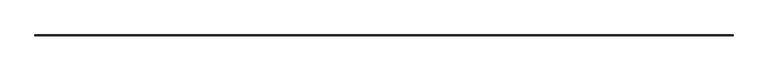
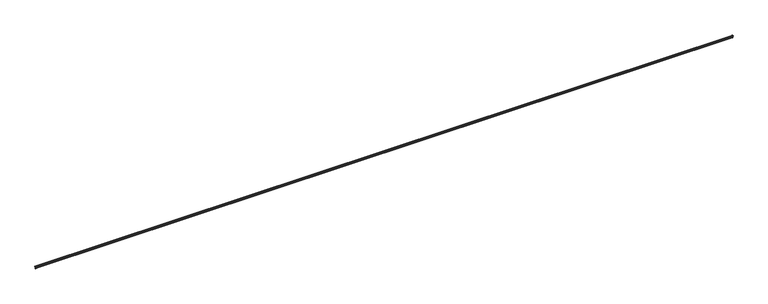
"""IFC4 building model written with IfcOpenShell, lengths in millimetres: railing geometry."""

from ifc_helpers import new_model, si_unit, frame, origin, place, context, project, spatial, polyline, circle_curve, ellipse_curve, source, transform, mapped, element, save
from ifc_brep_helpers import plane_surface, cylinder_surface, revolved_surface, advanced_brep


def railing_5dfc546a(model_context):
    return source(origin(), model_context, "Body", "AdvancedBrep", [
        advanced_brep(
        [(-23680.9561098, 78083.1541206, 647.6923086), (-23692.4260699, 78071.6841604, 647.6923086), (-41982.6411862, 78071.6841604, 647.6923086), (-41994.1111464, 78083.1541206, 647.6923086), (-23692.4260699, 78071.6841604, 648.6844961), (-41982.6411862, 78071.6841604, 648.6844961), (-23693.5336281, 78070.5766023, 710.2155039), (-23693.5336281, 78070.5766023, 711.2076914), (-41981.5336281, 78070.5766023, 711.2076914), (-41981.5336281, 78070.5766023, 710.2155039), (-23679.4389571, 78069.7828523, 691.7950567), (-23683.1977384, 78069.7828523, 687.9994833), (-23683.3479468, 78069.7828523, 686.0287021), (-23684.5520802, 78069.7828523, 671.4729922), (-23680.5867215, 78069.7828523, 653.762918), (-23680.0600643, 78069.7828523, 648.9724141), (-23680.9561098, 78069.7828523, 648.6844961), (-23692.4260699, 78069.7828523, 648.6844961), (-23692.4260699, 78069.7828523, 647.6923086), (-23680.9561098, 78069.7828523, 647.6923086), (-23679.482115, 78069.7828523, 648.1659337), (-23680.1977836, 78069.7828523, 654.6756957), (-23683.8318224, 78069.7828523, 670.7898083), (-23682.8179698, 78069.7828523, 686.9729202), (-23678.733966, 78069.7828523, 691.0968994), (-23681.4226013, 78069.7828523, 710.8731871), (-23682.6799827, 78069.7828523, 711.2076914), (-23693.5336281, 78069.7828523, 711.2076914), (-23693.5336281, 78069.7828523, 710.2155039), (-23682.6799827, 78069.7828523, 710.2155039), (-23681.9156171, 78069.7828523, 710.0121578), (-41995.628299, 78069.7828523, 691.7950567), (-41993.1516391, 78069.7828523, 710.0121578), (-41992.3872735, 78069.7828523, 710.2155039), (-41981.5336281, 78069.7828523, 710.2155039), (-41981.5336281, 78069.7828523, 711.2076914), (-41992.3872735, 78069.7828523, 711.2076914), (-41993.6446549, 78069.7828523, 710.8731871), (-41996.3332901, 78069.7828523, 691.0968994), (-41992.2492864, 78069.7828523, 686.9729202), (-41991.2354338, 78069.7828523, 670.7898083), (-41994.8694726, 78069.7828523, 654.6756957), (-41995.5851411, 78069.7828523, 648.1659337), (-41994.1111464, 78069.7828523, 647.6923086), (-41982.6411862, 78069.7828523, 647.6923086), (-41982.6411862, 78069.7828523, 648.6844961), (-41994.1111464, 78069.7828523, 648.6844961), (-41995.0071918, 78069.7828523, 648.9724141), (-41994.4805347, 78069.7828523, 653.762918), (-41990.515176, 78069.7828523, 671.4729922), (-41991.7193093, 78069.7828523, 686.0287021), (-41991.8695178, 78069.7828523, 687.9994833), (-23683.1977384, 78080.912492, 687.9994833), (-23679.4389571, 78084.6712733, 691.7950567), (-41995.628299, 78084.6712733, 691.7950567), (-41991.8695178, 78080.912492, 687.9994833), (-23683.3479468, 78080.7622836, 686.0287021), (-41991.7193093, 78080.7622836, 686.0287021), (-23684.5520802, 78079.5581502, 671.4729922), (-41990.515176, 78079.5581502, 671.4729922), (-23680.5867215, 78083.5235089, 653.762918), (-41994.4805347, 78083.5235089, 653.762918), (-23680.0600643, 78084.0501661, 648.9724141), (-41995.0071918, 78084.0501661, 648.9724141), (-23680.9561098, 78083.1541206, 648.6844961), (-41994.1111464, 78083.1541206, 648.6844961), (-23682.6799827, 78081.4302477, 710.2155039), (-41992.3872735, 78081.4302477, 710.2155039), (-23681.9156171, 78082.1946133, 710.0121578), (-41993.1516391, 78082.1946133, 710.0121578), (-23682.6799827, 78081.4302477, 711.2076914), (-41992.3872735, 78081.4302477, 711.2076914), (-23681.4226013, 78082.6876291, 710.8731871), (-41993.6446549, 78082.6876291, 710.8731871), (-23678.733966, 78085.3762643, 691.0968994), (-41996.3332901, 78085.3762643, 691.0968994), (-23682.8179698, 78081.2922606, 686.9729202), (-41992.2492864, 78081.2922606, 686.9729202), (-23683.8318224, 78080.278408, 670.7898083), (-41991.2354338, 78080.278408, 670.7898083), (-23680.1977836, 78083.9124468, 654.6756957), (-41994.8694726, 78083.9124468, 654.6756957), (-23679.482115, 78084.6281154, 648.1659337), (-41995.5851411, 78084.6281154, 648.1659337)],
        [
            (0, 1),
            (1, 2),
            (2, 3),
            (3, 0),
            (1, 4),
            (4, 5),
            (5, 2),
            (6, 7),
            (7, 8),
            (8, 9),
            (9, 6),
            (10, 11),
            (11, 12, circle_curve(frame((-23682.113473, 78069.7828523, 686.9257282), z_axis=(0.0, -1.0, 0.0), x_axis=(-0.7105421899071482, 0.0, 0.703654600185314)), 1.525969)),
            (12, 13, circle_curve(frame((-23692.4014575, 78069.7828523, 679.45), z_axis=(0.0, 1.0, 0.0), x_axis=(0.8089769833915064, 0.0, 0.5878403187454724)), 11.1913081)),
            (13, 14, circle_curve(frame((-23676.2064963, 78069.7828523, 664.0426357), z_axis=(0.0, -1.0, 0.0), x_axis=(-0.7468731624190426, 0.0, 0.6649665249154866)), 11.174031)),
            (14, 15, circle_curve(frame((-23681.6704498, 78069.7828523, 651.2195736), z_axis=(0.0, 1.0, 0.0), x_axis=(0.3920004517822364, 0.0, 0.9199650242278359)), 2.7646098)),
            (15, 16, circle_curve(frame((-23680.9561098, 78069.7828523, 650.2227713), z_axis=(0.0, 1.0, 0.0), x_axis=(0.5825000930532481, 0.0, -0.8128306352451028)), 1.5382752)),
            (16, 17),
            (17, 18),
            (18, 19),
            (19, 20, circle_curve(frame((-23680.9561098, 78069.7828523, 650.2227713), z_axis=(0.0, -1.0, 0.0), x_axis=(0.5825000930532481, 0.0, -0.8128306352451028)), 2.5304627)),
            (20, 21, circle_curve(frame((-23681.6704498, 78069.7828523, 651.2195736), z_axis=(0.0, -1.0, 0.0), x_axis=(0.3920004517822364, 0.0, 0.9199650242278359)), 3.7567973)),
            (21, 22, circle_curve(frame((-23676.2064963, 78069.7828523, 664.0426357), z_axis=(0.0, 1.0, 0.0), x_axis=(-0.7468731624190426, 0.0, 0.6649665249154866)), 10.1818435)),
            (22, 23, circle_curve(frame((-23692.4014575, 78069.7828523, 679.45), z_axis=(0.0, -1.0, 0.0), x_axis=(0.8089769833915064, 0.0, 0.5878403187454724)), 12.1834956)),
            (23, 24),
            (24, 25, circle_curve(frame((-23687.6758761, 78069.7828523, 699.9521318), z_axis=(0.0, -1.0, 0.0), x_axis=(0.4968978161283641, 0.0, 0.8678090575275547)), 12.5846294)),
            (25, 26, circle_curve(frame((-23682.6799827, 78069.7828523, 708.6772287), z_axis=(0.0, -1.0, 0.0), x_axis=(0.0, 0.0, 1.0)), 2.5304627)),
            (26, 27),
            (27, 28),
            (28, 29),
            (29, 30, circle_curve(frame((-23682.6799827, 78069.7828523, 708.6772287), z_axis=(0.0, 1.0, 0.0), x_axis=(0.0, 0.0, 1.0)), 1.5382752)),
            (30, 10, circle_curve(frame((-23687.6758761, 78069.7828523, 699.9521318), z_axis=(0.0, 1.0, 0.0), x_axis=(0.4968978161283641, 0.0, 0.8678090575275547)), 11.5924419)),
            (31, 32, circle_curve(frame((-41987.39138, 78069.7828523, 699.9521318), z_axis=(0.0, 1.0, 0.0), x_axis=(-0.4968978161283641, 0.0, 0.8678090575275547)), 11.5924419)),
            (32, 33, circle_curve(frame((-41992.3872735, 78069.7828523, 708.6772287), z_axis=(0.0, 1.0, 0.0), x_axis=(0.0, 0.0, 1.0)), 1.5382752)),
            (33, 34),
            (34, 35),
            (35, 36),
            (36, 37, circle_curve(frame((-41992.3872735, 78069.7828523, 708.6772287), z_axis=(0.0, -1.0, 0.0), x_axis=(0.0, 0.0, 1.0)), 2.5304627)),
            (37, 38, circle_curve(frame((-41987.39138, 78069.7828523, 699.9521318), z_axis=(0.0, -1.0, 0.0), x_axis=(-0.4968978161283641, 0.0, 0.8678090575275547)), 12.5846294)),
            (38, 39),
            (39, 40, circle_curve(frame((-41982.6657986, 78069.7828523, 679.45), z_axis=(0.0, -1.0, 0.0), x_axis=(-0.8089769833915064, 0.0, 0.5878403187454724)), 12.1834956)),
            (40, 41, circle_curve(frame((-41998.8607599, 78069.7828523, 664.0426357), z_axis=(0.0, 1.0, 0.0), x_axis=(0.7468731624190426, 0.0, 0.6649665249154866)), 10.1818435)),
            (41, 42, circle_curve(frame((-41993.3968064, 78069.7828523, 651.2195736), z_axis=(0.0, -1.0, 0.0), x_axis=(-0.3920004517822364, 0.0, 0.9199650242278359)), 3.7567973)),
            (42, 43, circle_curve(frame((-41994.1111464, 78069.7828523, 650.2227713), z_axis=(0.0, -1.0, 0.0), x_axis=(-0.5825000930532481, 0.0, -0.8128306352451028)), 2.5304627)),
            (43, 44),
            (44, 45),
            (45, 46),
            (46, 47, circle_curve(frame((-41994.1111464, 78069.7828523, 650.2227713), z_axis=(0.0, 1.0, 0.0), x_axis=(-0.5825000930532481, 0.0, -0.8128306352451028)), 1.5382752)),
            (47, 48, circle_curve(frame((-41993.3968064, 78069.7828523, 651.2195736), z_axis=(0.0, 1.0, 0.0), x_axis=(-0.3920004517822364, 0.0, 0.9199650242278359)), 2.7646098)),
            (48, 49, circle_curve(frame((-41998.8607599, 78069.7828523, 664.0426357), z_axis=(0.0, -1.0, 0.0), x_axis=(0.7468731624190426, 0.0, 0.6649665249154866)), 11.174031)),
            (49, 50, circle_curve(frame((-41982.6657986, 78069.7828523, 679.45), z_axis=(0.0, 1.0, 0.0), x_axis=(-0.8089769833915064, 0.0, 0.5878403187454724)), 11.1913081)),
            (50, 51, circle_curve(frame((-41992.9537831, 78069.7828523, 686.9257282), z_axis=(0.0, -1.0, 0.0), x_axis=(0.7105421899071482, 0.0, 0.703654600185314)), 1.525969)),
            (51, 31),
            (52, 53),
            (53, 54),
            (54, 55),
            (55, 52),
            (56, 52, ellipse_curve(frame((-23682.113473, 78081.9967573, 686.9257282), z_axis=(-0.7071067811865461, 0.7071067811865488, 0.0), x_axis=(0.7071067811865489, 0.707106781186546, 0.0)), 2.158046, 1.525969)),
            (55, 57, ellipse_curve(frame((-41992.9537831, 78081.9967573, 686.9257282), z_axis=(0.7071067811865488, 0.7071067811865461, 0.0), x_axis=(0.7071067811865462, -0.7071067811865487, 0.0)), 2.158046, 1.525969)),
            (57, 56),
            (58, 56, ellipse_curve(frame((-23692.4014575, 78071.7087728, 679.45), z_axis=(0.7071067811865461, -0.7071067811865488, 0.0), x_axis=(-0.7071067811865489, -0.707106781186546, 0.0)), 15.8268998, 11.1913081)),
            (57, 59, ellipse_curve(frame((-41982.6657986, 78071.7087728, 679.45), z_axis=(-0.7071067811865488, -0.7071067811865461, 0.0), x_axis=(-0.7071067811865462, 0.7071067811865487, 0.0)), 15.8268998, 11.1913081)),
            (59, 58),
            (60, 58, ellipse_curve(frame((-23676.2064963, 78087.9037341, 664.0426357), z_axis=(-0.7071067811865461, 0.7071067811865488, 0.0), x_axis=(0.7071067811865489, 0.707106781186546, 0.0)), 15.8024662, 11.174031)),
            (59, 61, ellipse_curve(frame((-41998.8607599, 78087.9037341, 664.0426357), z_axis=(0.7071067811865488, 0.7071067811865461, 0.0), x_axis=(0.7071067811865462, -0.7071067811865487, 0.0)), 15.8024662, 11.174031)),
            (61, 60),
            (62, 60, ellipse_curve(frame((-23681.6704498, 78082.4397806, 651.2195736), z_axis=(0.7071067811865461, -0.7071067811865488, 0.0), x_axis=(-0.7071067811865489, -0.707106781186546, 0.0)), 3.9097487, 2.7646098)),
            (61, 63, ellipse_curve(frame((-41993.3968064, 78082.4397806, 651.2195736), z_axis=(-0.7071067811865488, -0.7071067811865461, 0.0), x_axis=(-0.7071067811865462, 0.7071067811865487, 0.0)), 3.9097487, 2.7646098)),
            (63, 62),
            (64, 62, ellipse_curve(frame((-23680.9561098, 78083.1541206, 650.2227713), z_axis=(0.7071067811865461, -0.7071067811865488, 0.0), x_axis=(-0.7071067811865489, -0.707106781186546, 0.0)), 2.1754496, 1.5382752)),
            (63, 65, ellipse_curve(frame((-41994.1111464, 78083.1541206, 650.2227713), z_axis=(-0.7071067811865488, -0.7071067811865461, 0.0), x_axis=(-0.7071067811865462, 0.7071067811865487, 0.0)), 2.1754496, 1.5382752)),
            (65, 64),
            (4, 64),
            (65, 5),
            (66, 6),
            (9, 67),
            (67, 66),
            (68, 66, ellipse_curve(frame((-23682.6799827, 78081.4302477, 708.6772287), z_axis=(0.7071067811865461, -0.7071067811865488, 0.0), x_axis=(-0.7071067811865489, -0.707106781186546, 0.0)), 2.1754496, 1.5382752)),
            (67, 69, ellipse_curve(frame((-41992.3872735, 78081.4302477, 708.6772287), z_axis=(-0.7071067811865488, -0.7071067811865461, 0.0), x_axis=(-0.7071067811865462, 0.7071067811865487, 0.0)), 2.1754496, 1.5382752)),
            (69, 68),
            (7, 70),
            (70, 71),
            (71, 8),
            (70, 72, ellipse_curve(frame((-23682.6799827, 78081.4302477, 708.6772287), z_axis=(-0.7071067811865461, 0.7071067811865488, 0.0), x_axis=(0.7071067811865489, 0.707106781186546, 0.0)), 3.5786147, 2.5304627)),
            (72, 73),
            (73, 71, ellipse_curve(frame((-41992.3872735, 78081.4302477, 708.6772287), z_axis=(0.7071067811865488, 0.7071067811865461, 0.0), x_axis=(0.7071067811865462, -0.7071067811865487, 0.0)), 3.5786147, 2.5304627)),
            (72, 74, ellipse_curve(frame((-23687.6758761, 78076.4343542, 699.9521318), z_axis=(-0.7071067811865461, 0.7071067811865488, 0.0), x_axis=(0.7071067811865489, 0.707106781186546, 0.0)), 17.7973535, 12.5846294)),
            (74, 75),
            (75, 73, ellipse_curve(frame((-41987.39138, 78076.4343542, 699.9521318), z_axis=(0.7071067811865488, 0.7071067811865461, 0.0), x_axis=(0.7071067811865462, -0.7071067811865487, 0.0)), 17.7973535, 12.5846294)),
            (74, 76),
            (76, 77),
            (77, 75),
            (76, 78, ellipse_curve(frame((-23692.4014575, 78071.7087728, 679.45), z_axis=(-0.7071067811865461, 0.7071067811865488, 0.0), x_axis=(0.7071067811865489, 0.707106781186546, 0.0)), 17.2300648, 12.1834956)),
            (78, 79),
            (79, 77, ellipse_curve(frame((-41982.6657986, 78071.7087728, 679.45), z_axis=(0.7071067811865488, 0.7071067811865461, 0.0), x_axis=(0.7071067811865462, -0.7071067811865487, 0.0)), 17.2300648, 12.1834956)),
            (78, 80, ellipse_curve(frame((-23676.2064963, 78087.9037341, 664.0426357), z_axis=(0.7071067811865461, -0.7071067811865488, 0.0), x_axis=(-0.7071067811865489, -0.707106781186546, 0.0)), 14.3993012, 10.1818435)),
            (80, 81),
            (81, 79, ellipse_curve(frame((-41998.8607599, 78087.9037341, 664.0426357), z_axis=(-0.7071067811865488, -0.7071067811865461, 0.0), x_axis=(-0.7071067811865462, 0.7071067811865487, 0.0)), 14.3993012, 10.1818435)),
            (80, 82, ellipse_curve(frame((-23681.6704498, 78082.4397806, 651.2195736), z_axis=(-0.7071067811865461, 0.7071067811865488, 0.0), x_axis=(0.7071067811865489, 0.707106781186546, 0.0)), 5.3129137, 3.7567973)),
            (82, 83),
            (83, 81, ellipse_curve(frame((-41993.3968064, 78082.4397806, 651.2195736), z_axis=(0.7071067811865488, 0.7071067811865461, 0.0), x_axis=(0.7071067811865462, -0.7071067811865487, 0.0)), 5.3129137, 3.7567973)),
            (82, 0, ellipse_curve(frame((-23680.9561098, 78083.1541206, 650.2227713), z_axis=(-0.7071067811865461, 0.7071067811865488, 0.0), x_axis=(0.7071067811865489, 0.707106781186546, 0.0)), 3.5786147, 2.5304627)),
            (3, 83, ellipse_curve(frame((-41994.1111464, 78083.1541206, 650.2227713), z_axis=(0.7071067811865488, 0.7071067811865461, 0.0), x_axis=(0.7071067811865462, -0.7071067811865487, 0.0)), 3.5786147, 2.5304627)),
            (53, 68, ellipse_curve(frame((-23687.6758761, 78076.4343542, 699.9521318), z_axis=(0.7071067811865461, -0.7071067811865488, 0.0), x_axis=(-0.7071067811865489, -0.707106781186546, 0.0)), 16.3941885, 11.5924419)),
            (69, 54, ellipse_curve(frame((-41987.39138, 78076.4343542, 699.9521318), z_axis=(-0.7071067811865488, -0.7071067811865461, 0.0), x_axis=(-0.7071067811865462, 0.7071067811865487, 0.0)), 16.3941885, 11.5924419)),
            (30, 68),
            (53, 10),
            (16, 64),
            (4, 17),
            (15, 62),
            (14, 60),
            (13, 58),
            (12, 56),
            (11, 52),
            (69, 32),
            (31, 54),
            (65, 46),
            (45, 5),
            (63, 47),
            (61, 48),
            (59, 49),
            (57, 50),
            (55, 51),
            (23, 76),
            (74, 24),
            (72, 25),
            (70, 26),
            (7, 27),
            (29, 66),
            (28, 6),
            (22, 78),
            (77, 39),
            (38, 75),
            (37, 73),
            (36, 71),
            (35, 8),
            (67, 33),
            (9, 34),
            (79, 40),
            (1, 18),
            (0, 19),
            (82, 20),
            (80, 21),
            (44, 2),
            (43, 3),
            (42, 83),
            (41, 81),
        ],
        [
            plane_surface(frame((-23692.4260699, 78071.6841604, 647.6923086), z_axis=(0.0, 0.0, -1.0), x_axis=(-1.0, 0.0, 0.0))),
            plane_surface(frame((-23692.4260699, 78071.6841604, 648.6844961), z_axis=(0.0, -1.0, 0.0), x_axis=(-1.0, 0.0, 0.0))),
            plane_surface(frame((-23693.5336281, 78070.5766023, 711.2076914), z_axis=(0.0, -1.0, 0.0), x_axis=(-1.0, 0.0, 0.0))),
            plane_surface(frame((-23693.5336281, 78069.7828523, 711.2), z_axis=(0.0, -1.0, 0.0), x_axis=(0.0, 0.0, 1.0))),
            plane_surface(frame((-41981.5336281, 78069.7828523, 711.2), z_axis=(0.0, -1.0, 0.0), x_axis=(0.0, 0.0, -1.0))),
            plane_surface(frame((-23679.4389571, 78084.6712733, 691.7950567), z_axis=(0.0, -0.7105421899070093, 0.7036546001854542), x_axis=(-1.0, 0.0, 0.0))),
            cylinder_surface(frame((-23693.5336281, 78081.9967573, 686.9257282), z_axis=(1.0, 0.0, 0.0), x_axis=(0.0, -0.7105421899071482, 0.703654600185314)), 1.525969),
            revolved_surface(polyline([(-41993.857106773736, 78080.76228346695, 686.0287021206829), (-23681.21014932626, 78080.76228346695, 686.0287021206829)]), (-23693.5336281, 78071.7087728, 679.45), (-1.0, 0.0, 0.0)),
            cylinder_surface(frame((-23693.5336281, 78087.9037341, 664.0426357), z_axis=(1.0, 0.0, 0.0), x_axis=(0.0, -0.7468731624190426, 0.6649665249154866)), 11.174031),
            revolved_surface(polyline([(-41996.16141621851, 78083.5235088906, 653.7629179216375), (-23678.905839981493, 78083.5235088906, 653.7629179216375)]), (-23693.5336281, 78082.4397806, 651.2195736), (-1.0, 0.0, 0.0)),
            revolved_surface(polyline([(-41995.64942156429, 78084.05016604713, 648.9724140920022), (-23679.41783463571, 78084.05016604713, 648.9724140920022)]), (-23693.5336281, 78083.1541206, 650.2227713), (-1.0, 0.0, 0.0)),
            plane_surface(frame((-23680.9561098, 78083.1541206, 648.6844961), z_axis=(0.0, 0.0, 1.0), x_axis=(-1.0, 0.0, 0.0))),
            plane_surface(frame((-23693.5336281, 78070.5766023, 710.2155039), z_axis=(0.0, 0.0, -1.0), x_axis=(-1.0, 0.0, 0.0))),
            revolved_surface(polyline([(-41993.92554866429, 78081.4302477, 710.2155039), (-23681.14170753571, 78081.4302477, 710.2155039)]), (-23693.5336281, 78081.4302477, 708.6772287), (-1.0, 0.0, 0.0)),
            plane_surface(frame((-23682.6799827, 78081.4302477, 711.2076914), z_axis=(0.0, 0.0, 1.0), x_axis=(-1.0, 0.0, 0.0))),
            cylinder_surface(frame((-23693.5336281, 78081.4302477, 708.6772287), z_axis=(1.0, 0.0, 0.0), x_axis=(0.0, 0.0, 1.0)), 2.5304627),
            cylinder_surface(frame((-23693.5336281, 78076.4343542, 699.9521318), z_axis=(1.0000000000000002, 0.0, 0.0), x_axis=(0.0, 0.4968978161283641, 0.8678090575275547)), 12.5846294),
            plane_surface(frame((-23682.8179698, 78081.2922606, 686.9729202), z_axis=(0.0, 0.7105421899070093, -0.7036546001854542), x_axis=(-1.0, 0.0, 0.0))),
            cylinder_surface(frame((-23693.5336281, 78071.7087728, 679.45), z_axis=(1.0, 0.0, 0.0), x_axis=(0.0, 0.8089769833915064, 0.5878403187454724)), 12.1834956),
            revolved_surface(polyline([(-42009.04260342287, 78080.29918844589, 670.8132207894283), (-23666.024652777134, 78080.29918844589, 670.8132207894283)]), (-23693.5336281, 78087.9037341, 664.0426357), (-1.0, 0.0, 0.0)),
            cylinder_surface(frame((-23693.5336281, 78082.4397806, 651.2195736), z_axis=(1.0, 0.0, 0.0), x_axis=(0.0, 0.3920004517822364, 0.9199650242278359)), 3.7567973),
            cylinder_surface(frame((-23693.5336281, 78083.1541206, 650.2227713), z_axis=(1.0, 0.0, 0.0), x_axis=(0.0, 0.5825000930532481, -0.8128306352451028)), 2.5304627),
            revolved_surface(polyline([(-41998.98382186041, 78082.19461326371, 710.0121578796819), (-23676.083434239597, 78082.19461326371, 710.0121578796819)]), (-23693.5336281, 78076.4343542, 699.9521318), (-1.0000000000000002, 0.0, 0.0)),
            revolved_surface(polyline([(-23681.915617036295, 78088.0267960604, 710.0121578796819), (-23681.915617036295, 78064.8419123396, 710.0121578796819)]), (-23687.6758761, 78069.7828523, 699.9521318), (0.0, 1.0000000000000002, 0.0)),
            plane_surface(frame((-23680.9561098, 78069.7828523, 648.6844961), z_axis=(0.0, 0.0, 1.0), x_axis=(0.0, 1.0, 0.0))),
            revolved_surface(polyline([(-23680.06006435286, 78084.69239576429, 648.9724140920022), (-23680.06006435286, 78069.7828523, 648.9724140920022)]), (-23680.9561098, 78069.7828523, 650.2227713), (0.0, 1.0, 0.0)),
            revolved_surface(polyline([(-23680.586721509397, 78085.20439041851, 653.7629179216375), (-23680.586721509397, 78069.7828523, 653.7629179216375)]), (-23681.6704498, 78069.7828523, 651.2195736), (0.0, 1.0, 0.0)),
            cylinder_surface(frame((-23676.2064963, 78069.7828523, 664.0426357), z_axis=(0.0, -1.0, 0.0), x_axis=(-0.7468731624190426, 0.0, 0.6649665249154866)), 11.174031),
            revolved_surface(polyline([(-23683.34794683306, 78082.90008097375, 686.0287021206829), (-23683.34794683306, 78060.51746462626, 686.0287021206829)]), (-23692.4014575, 78069.7828523, 679.45), (0.0, 1.0, 0.0)),
            cylinder_surface(frame((-23682.113473, 78069.7828523, 686.9257282), z_axis=(0.0, -1.0, 0.0), x_axis=(-0.7105421899071482, 0.0, 0.703654600185314)), 1.525969),
            plane_surface(frame((-23679.4389571, 78069.7828523, 691.7950567), z_axis=(-0.7105421899070093, 0.0, 0.7036546001854542), x_axis=(0.0, 1.0, 0.0))),
            revolved_surface(polyline([(-41993.151639063704, 78064.8419123396, 710.0121578796819), (-41993.151639063704, 78088.0267960604, 710.0121578796819)]), (-41987.39138, 78070.5766023, 699.9521318), (0.0, -1.0000000000000002, 0.0)),
            plane_surface(frame((-41994.1111464, 78083.1541206, 648.6844961), z_axis=(0.0, 0.0, 1.0), x_axis=(0.0, -1.0, 0.0))),
            revolved_surface(polyline([(-41995.00719184714, 78069.7828523, 648.9724140920022), (-41995.00719184714, 78084.69239576429, 648.9724140920022)]), (-41994.1111464, 78070.5766023, 650.2227713), (0.0, -1.0, 0.0)),
            revolved_surface(polyline([(-41994.4805346906, 78069.7828523, 653.7629179216375), (-41994.4805346906, 78085.20439041851, 653.7629179216375)]), (-41993.3968064, 78070.5766023, 651.2195736), (0.0, -1.0, 0.0)),
            cylinder_surface(frame((-41998.8607599, 78070.5766023, 664.0426357), z_axis=(0.0, 1.0, 0.0), x_axis=(0.7468731624190426, 0.0, 0.6649665249154866)), 11.174031),
            revolved_surface(polyline([(-41991.71930926694, 78060.51746462626, 686.0287021206829), (-41991.71930926694, 78082.90008097375, 686.0287021206829)]), (-41982.6657986, 78070.5766023, 679.45), (0.0, -1.0, 0.0)),
            cylinder_surface(frame((-41992.9537831, 78070.5766023, 686.9257282), z_axis=(0.0, 1.0, 0.0), x_axis=(0.7105421899071482, 0.0, 0.703654600185314)), 1.525969),
            plane_surface(frame((-41995.628299, 78084.6712733, 691.7950567), z_axis=(0.7105421899070093, 0.0, 0.7036546001854542), x_axis=(0.0, -1.0, 0.0))),
            plane_surface(frame((-23682.8179698, 78069.7828523, 686.9729202), z_axis=(0.7105421899070093, 0.0, -0.7036546001854542), x_axis=(0.0, 1.0, 0.0))),
            cylinder_surface(frame((-23687.6758761, 78069.7828523, 699.9521318), z_axis=(0.0, -1.0000000000000002, 0.0), x_axis=(0.4968978161283641, 0.0, 0.8678090575275547)), 12.5846294),
            cylinder_surface(frame((-23682.6799827, 78069.7828523, 708.6772287), z_axis=(0.0, -1.0, 0.0), x_axis=(0.0, 0.0, 1.0)), 2.5304627),
            plane_surface(frame((-23682.6799827, 78069.7828523, 711.2076914), z_axis=(0.0, 0.0, 1.0), x_axis=(0.0, 1.0, 0.0))),
            revolved_surface(polyline([(-23682.6799827, 78082.96852286429, 710.2155039), (-23682.6799827, 78069.7828523, 710.2155039)]), (-23682.6799827, 78069.7828523, 708.6772287), (0.0, 1.0, 0.0)),
            plane_surface(frame((-23693.5336281, 78069.7828523, 710.2155039), z_axis=(0.0, 0.0, -1.0), x_axis=(0.0, 1.0, 0.0))),
            cylinder_surface(frame((-23692.4014575, 78069.7828523, 679.45), z_axis=(0.0, -1.0, 0.0), x_axis=(0.8089769833915064, 0.0, 0.5878403187454724)), 12.1834956),
            plane_surface(frame((-41992.2492864, 78081.2922606, 686.9729202), z_axis=(-0.7105421899070093, 0.0, -0.7036546001854542), x_axis=(0.0, -1.0, 0.0))),
            cylinder_surface(frame((-41987.39138, 78070.5766023, 699.9521318), z_axis=(0.0, 1.0000000000000002, 0.0), x_axis=(-0.4968978161283641, 0.0, 0.8678090575275547)), 12.5846294),
            cylinder_surface(frame((-41992.3872735, 78070.5766023, 708.6772287), z_axis=(0.0, 1.0, 0.0), x_axis=(0.0, 0.0, 1.0)), 2.5304627),
            plane_surface(frame((-41992.3872735, 78081.4302477, 711.2076914), z_axis=(0.0, 0.0, 1.0), x_axis=(0.0, -1.0, 0.0))),
            revolved_surface(polyline([(-41992.3872735, 78069.7828523, 710.2155039), (-41992.3872735, 78082.96852286429, 710.2155039)]), (-41992.3872735, 78070.5766023, 708.6772287), (0.0, -1.0, 0.0)),
            plane_surface(frame((-41981.5336281, 78070.5766023, 710.2155039), z_axis=(0.0, 0.0, -1.0), x_axis=(-1.0913936421910414e-11, -1.0, 0.0))),
            cylinder_surface(frame((-41982.6657986, 78070.5766023, 679.45), z_axis=(0.0, 1.0, 0.0), x_axis=(-0.8089769833915064, 0.0, 0.5878403187454724)), 12.1834956),
            plane_surface(frame((-23692.4260699, 78069.7828523, 648.6844961), z_axis=(-1.0, 0.0, 0.0), x_axis=(0.0, 1.0, 0.0))),
            plane_surface(frame((-23692.4260699, 78069.7828523, 647.6923086), z_axis=(0.0, 0.0, -1.0), x_axis=(0.0, 1.0, 0.0))),
            cylinder_surface(frame((-23680.9561098, 78069.7828523, 650.2227713), z_axis=(0.0, -1.0, 0.0), x_axis=(0.5825000930532481, 0.0, -0.8128306352451028)), 2.5304627),
            cylinder_surface(frame((-23681.6704498, 78069.7828523, 651.2195736), z_axis=(0.0, -1.0, 0.0), x_axis=(0.3920004517822364, 0.0, 0.9199650242278359)), 3.7567973),
            revolved_surface(polyline([(-23683.8110419541, 78098.08557762286, 670.8132207894283), (-23683.8110419541, 78069.7828523, 670.8132207894283)]), (-23676.2064963, 78069.7828523, 664.0426357), (0.0, 1.0, 0.0)),
            plane_surface(frame((-23693.5336281, 78069.7828523, 711.2076914), z_axis=(-1.0, 0.0, 0.0), x_axis=(0.0, 1.0, 0.0))),
            plane_surface(frame((-41982.6411862, 78071.6841604, 648.6844961), z_axis=(1.0, 4.556303554546395e-12, 0.0), x_axis=(4.556303554546395e-12, -1.0, 0.0))),
            plane_surface(frame((-41982.6411862, 78071.6841604, 647.6923086), z_axis=(0.0, 0.0, -1.0), x_axis=(4.556303554546395e-12, -1.0, 0.0))),
            cylinder_surface(frame((-41994.1111464, 78070.5766023, 650.2227713), z_axis=(0.0, 1.0, 0.0), x_axis=(-0.5825000930532481, 0.0, -0.8128306352451028)), 2.5304627),
            cylinder_surface(frame((-41993.3968064, 78070.5766023, 651.2195736), z_axis=(0.0, 1.0, 0.0), x_axis=(-0.3920004517822364, 0.0, 0.9199650242278359)), 3.7567973),
            revolved_surface(polyline([(-41991.2562142459, 78069.7828523, 670.8132207894283), (-41991.2562142459, 78098.08557762286, 670.8132207894283)]), (-41998.8607599, 78070.5766023, 664.0426357), (0.0, -1.0, 0.0)),
            plane_surface(frame((-41981.5336281, 78070.5766023, 711.2076914), z_axis=(1.0, -1.0913936421910414e-11, 0.0), x_axis=(-1.0913936421910414e-11, -1.0, 0.0))),
        ],
        [
            (0, [[1, 2, 3, 4]]),
            (1, [[5, 6, 7, -2]]),
            (2, [[8, 9, 10, 11]]),
            (3, [[12, 13, 14, 15, 16, 17, 18, 19, 20, 21, 22, 23, 24, 25, 26, 27, 28, 29, 30, 31, 32]]),
            (4, [[33, 34, 35, 36, 37, 38, 39, 40, 41, 42, 43, 44, 45, 46, 47, 48, 49, 50, 51, 52, 53]]),
            (5, [[54, 55, 56, 57]]),
            (6, [[58, -57, 59, 60]]),
            (7, [[61, -60, 62, 63]]),
            (8, [[64, -63, 65, 66]]),
            (9, [[67, -66, 68, 69]]),
            (10, [[70, -69, 71, 72]]),
            (11, [[73, -72, 74, -6]]),
            (12, [[75, -11, 76, 77]]),
            (13, [[78, -77, 79, 80]]),
            (14, [[81, 82, 83, -9]]),
            (15, [[84, 85, 86, -82]]),
            (16, [[87, 88, 89, -85]]),
            (17, [[90, 91, 92, -88]]),
            (18, [[93, 94, 95, -91]]),
            (19, [[96, 97, 98, -94]]),
            (20, [[99, 100, 101, -97]]),
            (21, [[102, -4, 103, -100]]),
            (22, [[104, -80, 105, -55]]),
            (23, [[-32, 106, -104, 107]]),
            (24, [[-18, 108, -73, 109]]),
            (25, [[-17, 110, -70, -108]]),
            (26, [[-16, 111, -67, -110]]),
            (27, [[-15, 112, -64, -111]]),
            (28, [[-14, 113, -61, -112]]),
            (29, [[-13, 114, -58, -113]]),
            (30, [[-12, -107, -54, -114]]),
            (31, [[-105, 115, -33, 116]]),
            (32, [[-74, 117, -47, 118]]),
            (33, [[-71, 119, -48, -117]]),
            (34, [[-68, 120, -49, -119]]),
            (35, [[-65, 121, -50, -120]]),
            (36, [[-62, 122, -51, -121]]),
            (37, [[-59, 123, -52, -122]]),
            (38, [[-56, -116, -53, -123]]),
            (39, [[-25, 124, -90, 125]]),
            (40, [[-26, -125, -87, 126]]),
            (41, [[-27, -126, -84, 127]]),
            (42, [[-28, -127, -81, 128]]),
            (43, [[-31, 129, -78, -106]]),
            (44, [[-30, 130, -75, -129]]),
            (45, [[-24, 131, -93, -124]]),
            (46, [[-92, 132, -40, 133]]),
            (47, [[-89, -133, -39, 134]]),
            (48, [[-86, -134, -38, 135]]),
            (49, [[-83, -135, -37, 136]]),
            (50, [[-79, 137, -34, -115]]),
            (51, [[-76, 138, -35, -137]]),
            (52, [[-95, 139, -41, -132]]),
            (53, [[-19, -109, -5, 140]]),
            (54, [[-20, -140, -1, 141]]),
            (55, [[-21, -141, -102, 142]]),
            (56, [[-22, -142, -99, 143]]),
            (57, [[-23, -143, -96, -131]]),
            (58, [[-29, -128, -8, -130]]),
            (59, [[-7, -118, -46, 144]]),
            (60, [[-3, -144, -45, 145]]),
            (61, [[-103, -145, -44, 146]]),
            (62, [[-101, -146, -43, 147]]),
            (63, [[-98, -147, -42, -139]]),
            (64, [[-10, -136, -36, -138]]),
        ],
    ),
        advanced_brep(
        [(-23679.4389571, 78069.7828523, 691.7950567), (-23681.9156171, 78069.7828523, 710.0121578), (-23682.6799827, 78069.7828523, 710.2155039), (-23693.5336281, 78069.7828523, 710.2155039), (-23693.5336281, 78069.7828523, 681.2959302), (-23689.6879401, 78069.7828523, 681.2959302), (-23689.6879401, 78069.7828523, 677.6040698), (-23693.5336281, 78069.7828523, 677.6040698), (-23693.5336281, 78069.7828523, 654.8375969), (-23692.4260699, 78069.7828523, 654.8375969), (-23692.4260699, 78069.7828523, 648.6844961), (-23680.9561098, 78069.7828523, 648.6844961), (-23680.0600643, 78069.7828523, 648.9724141), (-23680.5867215, 78069.7828523, 653.762918), (-23684.5520802, 78069.7828523, 671.4729922), (-23683.3479468, 78069.7828523, 686.0287021), (-23683.1977384, 78069.7828523, 687.9994833), (-41995.628299, 78069.7828523, 691.7950567), (-41991.8695178, 78069.7828523, 687.9994833), (-41991.7193093, 78069.7828523, 686.0287021), (-41990.515176, 78069.7828523, 671.4729922), (-41994.4805347, 78069.7828523, 653.762918), (-41995.0071918, 78069.7828523, 648.9724141), (-41994.1111464, 78069.7828523, 648.6844961), (-41982.6411862, 78069.7828523, 648.6844961), (-41982.6411862, 78069.7828523, 654.8375969), (-41981.5336281, 78069.7828523, 654.8375969), (-41981.5336281, 78069.7828523, 677.6040698), (-41985.3793161, 78069.7828523, 677.6040698), (-41985.3793161, 78069.7828523, 681.2959302), (-41981.5336281, 78069.7828523, 681.2959302), (-41981.5336281, 78069.7828523, 710.2155039), (-41992.3872735, 78069.7828523, 710.2155039), (-41993.1516391, 78069.7828523, 710.0121578), (-23689.6879401, 78074.4222903, 681.2959302), (-23689.6879401, 78074.4222903, 677.6040698), (-23693.5336281, 78070.5766023, 681.2959302), (-23693.5336281, 78070.5766023, 710.2155039), (-23682.6799827, 78081.4302477, 710.2155039), (-23681.9156171, 78082.1946133, 710.0121578), (-41985.3793161, 78074.4222903, 681.2959302), (-41985.3793161, 78074.4222903, 677.6040698), (-41981.5336281, 78070.5766023, 681.2959302), (-41981.5336281, 78070.5766023, 710.2155039), (-41992.3872735, 78081.4302477, 710.2155039), (-41993.1516391, 78082.1946133, 710.0121578), (-23679.4389571, 78084.6712733, 691.7950567), (-23693.5336281, 78070.5766023, 677.6040698), (-23693.5336281, 78070.5766023, 654.8375969), (-23692.4260699, 78071.6841604, 654.8375969), (-23692.4260699, 78071.6841604, 648.6844961), (-23680.9561098, 78083.1541206, 648.6844961), (-23680.0600643, 78084.0501661, 648.9724141), (-23680.5867215, 78083.5235089, 653.762918), (-23684.5520802, 78079.5581502, 671.4729922), (-23683.3479468, 78080.7622836, 686.0287021), (-23683.1977384, 78080.912492, 687.9994833), (-41995.628299, 78084.6712733, 691.7950567), (-41981.5336281, 78070.5766023, 677.6040698), (-41981.5336281, 78070.5766023, 654.8375969), (-41982.6411862, 78071.6841604, 654.8375969), (-41982.6411862, 78071.6841604, 648.6844961), (-41994.1111464, 78083.1541206, 648.6844961), (-41995.0071918, 78084.0501661, 648.9724141), (-41994.4805347, 78083.5235089, 653.762918), (-41990.515176, 78079.5581502, 671.4729922), (-41991.7193093, 78080.7622836, 686.0287021), (-41991.8695178, 78080.912492, 687.9994833)],
        [
            (0, 1, circle_curve(frame((-23687.6758761, 78069.7828523, 699.9521318), z_axis=(0.0, -1.0, 0.0), x_axis=(0.4968978161283641, 0.0, 0.8678090575275547)), 11.5924419)),
            (1, 2, circle_curve(frame((-23682.6799827, 78069.7828523, 708.6772287), z_axis=(0.0, -1.0, 0.0), x_axis=(0.0, 0.0, 1.0)), 1.5382752)),
            (2, 3),
            (3, 4),
            (4, 5),
            (5, 6),
            (6, 7),
            (7, 8),
            (8, 9),
            (9, 10),
            (10, 11),
            (11, 12, circle_curve(frame((-23680.9561098, 78069.7828523, 650.2227713), z_axis=(0.0, -1.0, 0.0), x_axis=(0.5825000930532481, 0.0, -0.8128306352451028)), 1.5382752)),
            (12, 13, circle_curve(frame((-23681.6704498, 78069.7828523, 651.2195736), z_axis=(0.0, -1.0, 0.0), x_axis=(0.3920004517822364, 0.0, 0.9199650242278359)), 2.7646098)),
            (13, 14, circle_curve(frame((-23676.2064963, 78069.7828523, 664.0426357), z_axis=(0.0, 1.0, 0.0), x_axis=(-0.7468731624190426, 0.0, 0.6649665249154866)), 11.174031)),
            (14, 15, circle_curve(frame((-23692.4014575, 78069.7828523, 679.45), z_axis=(0.0, -1.0, 0.0), x_axis=(0.8089769833915064, 0.0, 0.5878403187454724)), 11.1913081)),
            (15, 16, circle_curve(frame((-23682.113473, 78069.7828523, 686.9257282), z_axis=(0.0, 1.0, 0.0), x_axis=(-0.7105421899071482, 0.0, 0.703654600185314)), 1.525969)),
            (16, 0),
            (17, 18),
            (18, 19, circle_curve(frame((-41992.9537831, 78069.7828523, 686.9257282), z_axis=(0.0, 1.0, 0.0), x_axis=(0.7105421899071482, 0.0, 0.703654600185314)), 1.525969)),
            (19, 20, circle_curve(frame((-41982.6657986, 78069.7828523, 679.45), z_axis=(0.0, -1.0, 0.0), x_axis=(-0.8089769833915064, 0.0, 0.5878403187454724)), 11.1913081)),
            (20, 21, circle_curve(frame((-41998.8607599, 78069.7828523, 664.0426357), z_axis=(0.0, 1.0, 0.0), x_axis=(0.7468731624190426, 0.0, 0.6649665249154866)), 11.174031)),
            (21, 22, circle_curve(frame((-41993.3968064, 78069.7828523, 651.2195736), z_axis=(0.0, -1.0, 0.0), x_axis=(-0.3920004517822364, 0.0, 0.9199650242278359)), 2.7646098)),
            (22, 23, circle_curve(frame((-41994.1111464, 78069.7828523, 650.2227713), z_axis=(0.0, -1.0, 0.0), x_axis=(-0.5825000930532481, 0.0, -0.8128306352451028)), 1.5382752)),
            (23, 24),
            (24, 25),
            (25, 26),
            (26, 27),
            (27, 28),
            (28, 29),
            (29, 30),
            (30, 31),
            (31, 32),
            (32, 33, circle_curve(frame((-41992.3872735, 78069.7828523, 708.6772287), z_axis=(0.0, -1.0, 0.0), x_axis=(0.0, 0.0, 1.0)), 1.5382752)),
            (33, 17, circle_curve(frame((-41987.39138, 78069.7828523, 699.9521318), z_axis=(0.0, -1.0, 0.0), x_axis=(-0.4968978161283641, 0.0, 0.8678090575275547)), 11.5924419)),
            (5, 34),
            (34, 35),
            (35, 6),
            (4, 36),
            (36, 34),
            (3, 37),
            (37, 36),
            (2, 38),
            (38, 37),
            (1, 39),
            (39, 38, ellipse_curve(frame((-23682.6799827, 78081.4302477, 708.6772287), z_axis=(0.7071067811865461, -0.7071067811865488, 0.0), x_axis=(-0.7071067811865487, -0.7071067811865462, 0.0)), 2.1754496, 1.5382752)),
            (34, 40),
            (40, 41),
            (41, 35),
            (36, 42),
            (42, 40),
            (37, 43),
            (43, 42),
            (38, 44),
            (44, 43),
            (39, 45),
            (45, 44, ellipse_curve(frame((-41992.3872735, 78081.4302477, 708.6772287), z_axis=(0.7071067811865488, 0.7071067811865461, 0.0), x_axis=(0.7071067811865462, -0.7071067811865487, 0.0)), 2.1754496, 1.5382752)),
            (40, 29),
            (28, 41),
            (42, 30),
            (43, 31),
            (44, 32),
            (45, 33),
            (0, 46),
            (46, 39, ellipse_curve(frame((-23687.6758761, 78076.4343542, 699.9521318), z_axis=(0.7071067811865461, -0.7071067811865488, 0.0), x_axis=(-0.7071067811865487, -0.7071067811865462, 0.0)), 16.3941885, 11.5924419)),
            (35, 47),
            (47, 7),
            (47, 48),
            (48, 8),
            (48, 49),
            (49, 9),
            (49, 50),
            (50, 10),
            (50, 51),
            (51, 11),
            (51, 52, ellipse_curve(frame((-23680.9561098, 78083.1541206, 650.2227713), z_axis=(0.7071067811865461, -0.7071067811865488, 0.0), x_axis=(-0.7071067811865487, -0.7071067811865462, 0.0)), 2.1754496, 1.5382752)),
            (52, 12),
            (52, 53, ellipse_curve(frame((-23681.6704498, 78082.4397806, 651.2195736), z_axis=(0.7071067811865461, -0.7071067811865488, 0.0), x_axis=(-0.7071067811865487, -0.7071067811865462, 0.0)), 3.9097487, 2.7646098)),
            (53, 13),
            (53, 54, ellipse_curve(frame((-23676.2064963, 78087.9037341, 664.0426357), z_axis=(-0.7071067811865461, 0.7071067811865488, 0.0), x_axis=(0.7071067811865487, 0.7071067811865462, 0.0)), 15.8024662, 11.174031)),
            (54, 14),
            (54, 55, ellipse_curve(frame((-23692.4014575, 78071.7087728, 679.45), z_axis=(0.7071067811865461, -0.7071067811865488, 0.0), x_axis=(-0.7071067811865487, -0.7071067811865462, 0.0)), 15.8268998, 11.1913081)),
            (55, 15),
            (55, 56, ellipse_curve(frame((-23682.113473, 78081.9967573, 686.9257282), z_axis=(-0.7071067811865461, 0.7071067811865488, 0.0), x_axis=(0.7071067811865487, 0.7071067811865462, 0.0)), 2.158046, 1.525969)),
            (56, 16),
            (56, 46),
            (46, 57),
            (57, 45, ellipse_curve(frame((-41987.39138, 78076.4343542, 699.9521318), z_axis=(0.7071067811865488, 0.7071067811865461, 0.0), x_axis=(0.7071067811865462, -0.7071067811865487, 0.0)), 16.3941885, 11.5924419)),
            (41, 58),
            (58, 47),
            (58, 59),
            (59, 48),
            (59, 60),
            (60, 49),
            (60, 61),
            (61, 50),
            (61, 62),
            (62, 51),
            (62, 63, ellipse_curve(frame((-41994.1111464, 78083.1541206, 650.2227713), z_axis=(0.7071067811865488, 0.7071067811865461, 0.0), x_axis=(0.7071067811865462, -0.7071067811865487, 0.0)), 2.1754496, 1.5382752)),
            (63, 52),
            (63, 64, ellipse_curve(frame((-41993.3968064, 78082.4397806, 651.2195736), z_axis=(0.7071067811865488, 0.7071067811865461, 0.0), x_axis=(0.7071067811865462, -0.7071067811865487, 0.0)), 3.9097487, 2.7646098)),
            (64, 53),
            (64, 65, ellipse_curve(frame((-41998.8607599, 78087.9037341, 664.0426357), z_axis=(-0.7071067811865488, -0.7071067811865461, 0.0), x_axis=(-0.7071067811865462, 0.7071067811865487, 0.0)), 15.8024662, 11.174031)),
            (65, 54),
            (65, 66, ellipse_curve(frame((-41982.6657986, 78071.7087728, 679.45), z_axis=(0.7071067811865488, 0.7071067811865461, 0.0), x_axis=(0.7071067811865462, -0.7071067811865487, 0.0)), 15.8268998, 11.1913081)),
            (66, 55),
            (66, 67, ellipse_curve(frame((-41992.9537831, 78081.9967573, 686.9257282), z_axis=(-0.7071067811865488, -0.7071067811865461, 0.0), x_axis=(-0.7071067811865462, 0.7071067811865487, 0.0)), 2.158046, 1.525969)),
            (67, 56),
            (67, 57),
            (57, 17),
            (27, 58),
            (26, 59),
            (25, 60),
            (24, 61),
            (23, 62),
            (22, 63),
            (21, 64),
            (20, 65),
            (19, 66),
            (18, 67),
        ],
        [
            plane_surface(frame((-23693.5336281, 78069.7828523, 711.2), z_axis=(0.0, -1.0, 0.0), x_axis=(0.0, 0.0, 1.0))),
            plane_surface(frame((-41981.5336281, 78069.7828523, 711.2), z_axis=(0.0, -1.0, 0.0), x_axis=(0.0, 0.0, -1.0))),
            plane_surface(frame((-23689.6879401, 78069.7828523, 681.2959302), z_axis=(-1.0, 0.0, 0.0), x_axis=(0.0, 1.0, 0.0))),
            plane_surface(frame((-23693.5336281, 78069.7828523, 681.2959302), z_axis=(0.0, 0.0, -1.0), x_axis=(0.0, 1.0, 0.0))),
            plane_surface(frame((-23693.5336281, 78069.7828523, 710.2155039), z_axis=(-1.0, 0.0, 0.0), x_axis=(0.0, 1.0, 0.0))),
            plane_surface(frame((-23682.6799827, 78069.7828523, 710.2155039), z_axis=(0.0, 0.0, 1.0), x_axis=(0.0, 1.0, 0.0))),
            cylinder_surface(frame((-23682.6799827, 78069.7828523, 708.6772287), z_axis=(0.0, -1.0, 0.0), x_axis=(0.0, 0.0, 1.0)), 1.5382752),
            plane_surface(frame((-23689.6879401, 78074.4222903, 681.2959302), z_axis=(0.0, -1.0, 0.0), x_axis=(-1.0, 0.0, 0.0))),
            plane_surface(frame((-23693.5336281, 78070.5766023, 681.2959302), z_axis=(0.0, 0.0, -1.0), x_axis=(-1.0, 0.0, 0.0))),
            plane_surface(frame((-23693.5336281, 78070.5766023, 710.2155039), z_axis=(0.0, -1.0, 0.0), x_axis=(-1.0, 0.0, 0.0))),
            plane_surface(frame((-23682.6799827, 78081.4302477, 710.2155039), z_axis=(0.0, 0.0, 1.0), x_axis=(-1.0, 0.0, 0.0))),
            cylinder_surface(frame((-23693.5336281, 78081.4302477, 708.6772287), z_axis=(1.0, 0.0, 0.0), x_axis=(0.0, 0.0, 1.0)), 1.5382752),
            plane_surface(frame((-41985.3793161, 78074.4222903, 681.2959302), z_axis=(1.0, 0.0, 0.0), x_axis=(0.0, -1.0, 0.0))),
            plane_surface(frame((-41981.5336281, 78070.5766023, 681.2959302), z_axis=(0.0, 0.0, -1.0), x_axis=(0.0, -1.0, 0.0))),
            plane_surface(frame((-41981.5336281, 78070.5766023, 710.2155039), z_axis=(1.0, -1.0913936421910414e-11, 0.0), x_axis=(-1.0913936421910414e-11, -1.0, 0.0))),
            plane_surface(frame((-41992.3872735, 78081.4302477, 710.2155039), z_axis=(0.0, 0.0, 1.0), x_axis=(0.0, -1.0, 0.0))),
            cylinder_surface(frame((-41992.3872735, 78070.5766023, 708.6772287), z_axis=(0.0, 1.0, 0.0), x_axis=(0.0, 0.0, 1.0)), 1.5382752),
            cylinder_surface(frame((-23687.6758761, 78069.7828523, 699.9521318), z_axis=(0.0, -1.0000000000000002, 0.0), x_axis=(0.4968978161283641, 0.0, 0.8678090575275547)), 11.5924419),
            plane_surface(frame((-23689.6879401, 78069.7828523, 677.6040698), z_axis=(0.0, 0.0, 1.0), x_axis=(0.0, 1.0, 0.0))),
            plane_surface(frame((-23693.5336281, 78069.7828523, 677.6040698), z_axis=(-1.0, 0.0, 0.0), x_axis=(0.0, 1.0, 0.0))),
            plane_surface(frame((-23693.5336281, 78069.7828523, 654.8375969), z_axis=(0.0, 0.0, -1.0), x_axis=(0.0, 1.0, 0.0))),
            plane_surface(frame((-23692.4260699, 78069.7828523, 654.8375969), z_axis=(-1.0, 0.0, 0.0), x_axis=(0.0, 1.0, 0.0))),
            plane_surface(frame((-23692.4260699, 78069.7828523, 648.6844961), z_axis=(0.0, 0.0, -1.0), x_axis=(0.0, 1.0, 0.0))),
            cylinder_surface(frame((-23680.9561098, 78069.7828523, 650.2227713), z_axis=(0.0, -1.0, 0.0), x_axis=(0.5825000930532481, 0.0, -0.8128306352451028)), 1.5382752),
            cylinder_surface(frame((-23681.6704498, 78069.7828523, 651.2195736), z_axis=(0.0, -1.0, 0.0), x_axis=(0.3920004517822364, 0.0, 0.9199650242278359)), 2.7646098),
            revolved_surface(polyline([(-23684.55208016994, 78099.07776510948, 671.4729922633679), (-23684.55208016994, 78069.7828523, 671.4729922633679)]), (-23676.2064963, 78069.7828523, 664.0426357), (0.0, 1.0, 0.0)),
            cylinder_surface(frame((-23692.4014575, 78069.7828523, 679.45), z_axis=(0.0, -1.0, 0.0), x_axis=(0.8089769833915064, 0.0, 0.5878403187454724)), 11.1913081),
            revolved_surface(polyline([(-23683.197738354993, 78083.52272626072, 687.9994833065902), (-23683.197738354993, 78069.7828523, 687.9994833065902)]), (-23682.113473, 78069.7828523, 686.9257282), (0.0, 1.0, 0.0)),
            plane_surface(frame((-23683.1977384, 78069.7828523, 687.9994833), z_axis=(0.7105421899070093, 0.0, -0.7036546001854542), x_axis=(0.0, 1.0, 0.0))),
            cylinder_surface(frame((-23693.5336281, 78076.4343542, 699.9521318), z_axis=(1.0000000000000002, 0.0, 0.0), x_axis=(0.0, 0.4968978161283641, 0.8678090575275547)), 11.5924419),
            plane_surface(frame((-23689.6879401, 78074.4222903, 677.6040698), z_axis=(0.0, 0.0, 1.0), x_axis=(-1.0, 0.0, 0.0))),
            plane_surface(frame((-23693.5336281, 78070.5766023, 677.6040698), z_axis=(0.0, -1.0, 0.0), x_axis=(-1.0, 0.0, 0.0))),
            plane_surface(frame((-23693.5336281, 78070.5766023, 654.8375969), z_axis=(0.0, 0.0, -1.0), x_axis=(-1.0, 0.0, 0.0))),
            plane_surface(frame((-23692.4260699, 78071.6841604, 654.8375969), z_axis=(0.0, -1.0, 0.0), x_axis=(-1.0, 0.0, 0.0))),
            plane_surface(frame((-23692.4260699, 78071.6841604, 648.6844961), z_axis=(0.0, 0.0, -1.0), x_axis=(-1.0, 0.0, 0.0))),
            cylinder_surface(frame((-23693.5336281, 78083.1541206, 650.2227713), z_axis=(1.0, 0.0, 0.0), x_axis=(0.0, 0.5825000930532481, -0.8128306352451028)), 1.5382752),
            cylinder_surface(frame((-23693.5336281, 78082.4397806, 651.2195736), z_axis=(1.0, 0.0, 0.0), x_axis=(0.0, 0.3920004517822364, 0.9199650242278359)), 2.7646098),
            revolved_surface(polyline([(-42010.03479090949, 78079.55815023005, 671.4729922633679), (-23665.03246529051, 78079.55815023005, 671.4729922633679)]), (-23693.5336281, 78087.9037341, 664.0426357), (-1.0, 0.0, 0.0)),
            cylinder_surface(frame((-23693.5336281, 78071.7087728, 679.45), z_axis=(1.0, 0.0, 0.0), x_axis=(0.0, 0.8089769833915064, 0.5878403187454724)), 11.1913081),
            revolved_surface(polyline([(-41994.47975206071, 78080.91249194501, 687.9994833065902), (-23680.58750403929, 78080.91249194501, 687.9994833065902)]), (-23693.5336281, 78081.9967573, 686.9257282), (-1.0, 0.0, 0.0)),
            plane_surface(frame((-23683.1977384, 78080.912492, 687.9994833), z_axis=(0.0, 0.7105421899070093, -0.7036546001854542), x_axis=(-1.0, 0.0, 0.0))),
            cylinder_surface(frame((-41987.39138, 78070.5766023, 699.9521318), z_axis=(0.0, 1.0000000000000002, 0.0), x_axis=(-0.4968978161283641, 0.0, 0.8678090575275547)), 11.5924419),
            plane_surface(frame((-41985.3793161, 78074.4222903, 677.6040698), z_axis=(0.0, 0.0, 1.0), x_axis=(0.0, -1.0, 0.0))),
            plane_surface(frame((-41981.5336281, 78070.5766023, 677.6040698), z_axis=(1.0, -1.0913936421910414e-11, 0.0), x_axis=(-1.0913936421910414e-11, -1.0, 0.0))),
            plane_surface(frame((-41981.5336281, 78070.5766023, 654.8375969), z_axis=(0.0, 0.0, -1.0), x_axis=(0.0, -1.0, 0.0))),
            plane_surface(frame((-41982.6411862, 78071.6841604, 654.8375969), z_axis=(1.0, 4.556303554546395e-12, 0.0), x_axis=(4.556303554546395e-12, -1.0, 0.0))),
            plane_surface(frame((-41982.6411862, 78071.6841604, 648.6844961), z_axis=(0.0, 0.0, -1.0), x_axis=(4.556303554546395e-12, -1.0, 0.0))),
            cylinder_surface(frame((-41994.1111464, 78070.5766023, 650.2227713), z_axis=(0.0, 1.0, 0.0), x_axis=(-0.5825000930532481, 0.0, -0.8128306352451028)), 1.5382752),
            cylinder_surface(frame((-41993.3968064, 78070.5766023, 651.2195736), z_axis=(0.0, 1.0, 0.0), x_axis=(-0.3920004517822364, 0.0, 0.9199650242278359)), 2.7646098),
            revolved_surface(polyline([(-41990.515176030065, 78069.7828523, 671.4729922633679), (-41990.515176030065, 78099.07776510948, 671.4729922633679)]), (-41998.8607599, 78070.5766023, 664.0426357), (0.0, -1.0, 0.0)),
            cylinder_surface(frame((-41982.6657986, 78070.5766023, 679.45), z_axis=(0.0, 1.0, 0.0), x_axis=(-0.8089769833915064, 0.0, 0.5878403187454724)), 11.1913081),
            revolved_surface(polyline([(-41991.869517745006, 78069.7828523, 687.9994833065902), (-41991.869517745006, 78083.52272626072, 687.9994833065902)]), (-41992.9537831, 78070.5766023, 686.9257282), (0.0, -1.0, 0.0)),
            plane_surface(frame((-41991.8695178, 78080.912492, 687.9994833), z_axis=(-0.7105421899070093, 0.0, -0.7036546001854542), x_axis=(0.0, -1.0, 0.0))),
        ],
        [
            (0, [[1, 2, 3, 4, 5, 6, 7, 8, 9, 10, 11, 12, 13, 14, 15, 16, 17]]),
            (1, [[18, 19, 20, 21, 22, 23, 24, 25, 26, 27, 28, 29, 30, 31, 32, 33, 34]]),
            (2, [[-6, 35, 36, 37]]),
            (3, [[-5, 38, 39, -35]]),
            (4, [[-4, 40, 41, -38]]),
            (5, [[-3, 42, 43, -40]]),
            (6, [[-2, 44, 45, -42]]),
            (7, [[-36, 46, 47, 48]]),
            (8, [[-39, 49, 50, -46]]),
            (9, [[-41, 51, 52, -49]]),
            (10, [[-43, 53, 54, -51]]),
            (11, [[-45, 55, 56, -53]]),
            (12, [[-47, 57, -29, 58]]),
            (13, [[-50, 59, -30, -57]]),
            (14, [[-52, 60, -31, -59]]),
            (15, [[-54, 61, -32, -60]]),
            (16, [[-56, 62, -33, -61]]),
            (17, [[-1, 63, 64, -44]]),
            (18, [[-7, -37, 65, 66]]),
            (19, [[-8, -66, 67, 68]]),
            (20, [[-9, -68, 69, 70]]),
            (21, [[-10, -70, 71, 72]]),
            (22, [[-11, -72, 73, 74]]),
            (23, [[-12, -74, 75, 76]]),
            (24, [[-13, -76, 77, 78]]),
            (25, [[-14, -78, 79, 80]]),
            (26, [[-15, -80, 81, 82]]),
            (27, [[-16, -82, 83, 84]]),
            (28, [[-17, -84, 85, -63]]),
            (29, [[-64, 86, 87, -55]]),
            (30, [[-65, -48, 88, 89]]),
            (31, [[-67, -89, 90, 91]]),
            (32, [[-69, -91, 92, 93]]),
            (33, [[-71, -93, 94, 95]]),
            (34, [[-73, -95, 96, 97]]),
            (35, [[-75, -97, 98, 99]]),
            (36, [[-77, -99, 100, 101]]),
            (37, [[-79, -101, 102, 103]]),
            (38, [[-81, -103, 104, 105]]),
            (39, [[-83, -105, 106, 107]]),
            (40, [[-85, -107, 108, -86]]),
            (41, [[-87, 109, -34, -62]]),
            (42, [[-88, -58, -28, 110]]),
            (43, [[-90, -110, -27, 111]]),
            (44, [[-92, -111, -26, 112]]),
            (45, [[-94, -112, -25, 113]]),
            (46, [[-96, -113, -24, 114]]),
            (47, [[-98, -114, -23, 115]]),
            (48, [[-100, -115, -22, 116]]),
            (49, [[-102, -116, -21, 117]]),
            (50, [[-104, -117, -20, 118]]),
            (51, [[-106, -118, -19, 119]]),
            (52, [[-108, -119, -18, -109]]),
        ],
    ),
    ])


if __name__ == "__main__":
    model = new_model("IFC4")
    model_context = context("Model", 3, world=origin())
    ifc_project = project(units=[si_unit("LENGTHUNIT", "METRE", prefix="MILLI")], contexts=[model_context])
    site = spatial("IfcSite", under=ifc_project)
    building = spatial("IfcBuilding", under=site)
    placement = place(None, origin())
    railing_shape = railing_5dfc546a(model_context)
    element("IfcRailing", 1, at=placement, inside=building, context=model_context, shape_type="MappedRepresentation", body=[
        mapped(railing_shape, transform((0.0, 0.0, 0.0), x_axis=(1.0, 0.0, 0.0), y_axis=(0.0, 1.0, 0.0), z_axis=(0.0, 0.0, 1.0))),
    ])
    save(model, "model.ifc")
